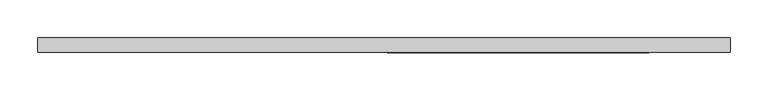
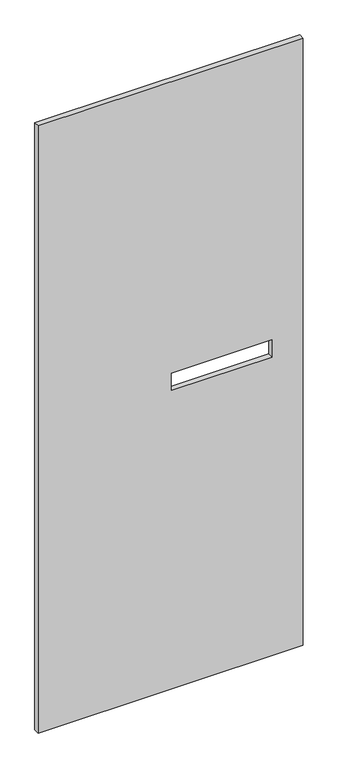
"""IFC4 building model written with IfcOpenShell, lengths in millimetres: proxy geometry."""

from ifc_helpers import new_model, si_unit, frame, origin, place, context, project, spatial, polyline, outline, extrude, source, transform, mapped, element, save


def specialty_equipment_3d223488(model_context):
    return source(origin(), model_context, "Body", "SweptSolid", [
        extrude(outline(polyline([(2206.625, 455.3204), (2206.625, -455.3204), (3.175, -455.3204), (3.175, 455.3204), (2206.625, 455.3204)]), holes=[polyline([(1148.715, 348.488), (1086.485, 348.488), (1086.485, 4.064), (1148.715, 4.064), (1148.715, 348.488)])]), frame((0.0, -9.525, 0.0), z_axis=(0.0, 1.0, 0.0), x_axis=(0.0, 0.0, 1.0)), (0.0, 0.0, 1.0), 19.05),
    ])


if __name__ == "__main__":
    model = new_model("IFC4")
    model_context = context("Model", 3, world=origin())
    ifc_project = project(units=[si_unit("LENGTHUNIT", "METRE", prefix="MILLI")], contexts=[model_context])
    site = spatial("IfcSite", under=ifc_project)
    building = spatial("IfcBuilding", under=site)
    placement = place(None, origin())
    specialty_equipment_shape = specialty_equipment_3d223488(model_context)
    element("IfcBuildingElementProxy", 1, Name="Specialty Equipment", at=placement, inside=building, context=model_context, shape_type="MappedRepresentation", body=[
        mapped(specialty_equipment_shape, transform((0.0, 0.0, 0.0), x_axis=(1.0, 0.0, 0.0), y_axis=(0.0, 1.0, 0.0), z_axis=(0.0, 0.0, 1.0))),
    ])
    save(model, "model.ifc")
